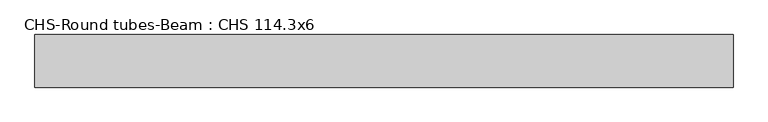
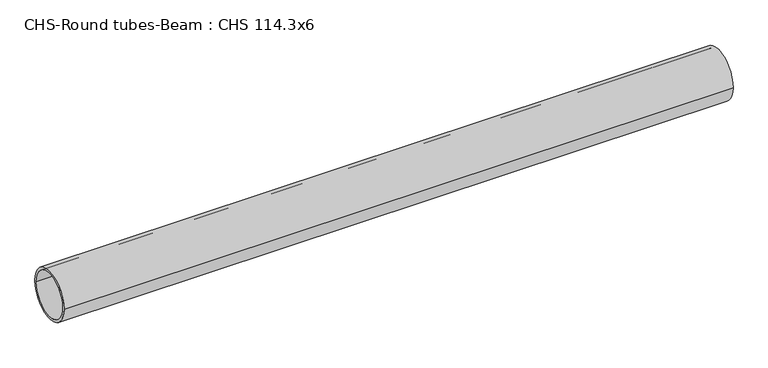
"""IFC4 building model written with IfcOpenShell, lengths in millimetres: beam geometry, CHS-Round tubes-Beam : CHS 114.3x6."""

from ifc_helpers import new_model, si_unit, point, frame, origin, origin_2d, place, context, project, spatial, circle_curve, trimmed, segment, composite_curve, outline, extrude, source, transform, mapped, element, save


def chs_round_tubes_beam_chs_114_3x6_008e77f1(model_context):
    return source(origin(), model_context, "Body", "SweptSolid", [
        extrude(outline(composite_curve([segment(trimmed(circle_curve(origin_2d(), 57.15), [point((57.15, 0.0))], [point((-57.15, 0.0))], False, "CARTESIAN"), True, "CONTINUOUS"), segment(trimmed(circle_curve(origin_2d(), 57.15), [point((-57.15, 0.0))], [point((57.15, 0.0))], False, "CARTESIAN"), True, "CONTINUOUS")], self_intersect=False), holes=[composite_curve([segment(trimmed(circle_curve(origin_2d(), 51.15), [point((51.15, 0.0))], [point((-51.15, 0.0))], True, "CARTESIAN"), True, "CONTINUOUS"), segment(trimmed(circle_curve(origin_2d(), 51.15), [point((-51.15, 0.0))], [point((51.15, 0.0))], True, "CARTESIAN"), True, "CONTINUOUS")], self_intersect=False)]), frame((-752.0498922, 0.0, 0.0), z_axis=(1.0, 0.0, 0.0), x_axis=(0.0, 1.0, 0.0)), (0.0, 0.0, 1.0), 1517.5052522),
    ])


if __name__ == "__main__":
    model = new_model("IFC4")
    model_context = context("Model", 3, world=origin())
    ifc_project = project(units=[si_unit("LENGTHUNIT", "METRE", prefix="MILLI")], contexts=[model_context])
    site = spatial("IfcSite", under=ifc_project)
    building = spatial("IfcBuilding", under=site)
    placement = place(None, origin())
    chs_round_tubes_beam_chs_114_3x6_shape = chs_round_tubes_beam_chs_114_3x6_008e77f1(model_context)
    element("IfcBeam", 1, ObjectType="CHS-Round tubes-Beam : CHS 114.3x6", at=placement, inside=building, context=model_context, shape_type="MappedRepresentation", body=[
        mapped(chs_round_tubes_beam_chs_114_3x6_shape, transform((0.0, 0.0, 0.0), x_axis=(1.0, 0.0, 0.0), y_axis=(0.0, 1.0, 0.0), z_axis=(0.0, 0.0, 1.0))),
    ])
    save(model, "model.ifc")
